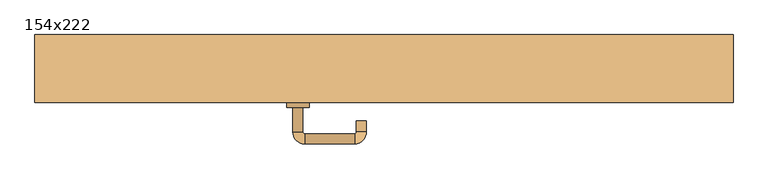
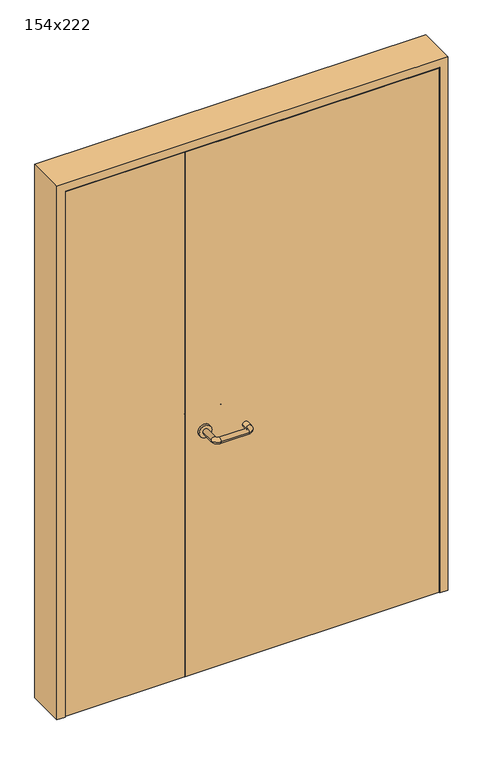
"""IFC4 building model written with IfcOpenShell, lengths in millimetres: door geometry, 154x222."""

from ifc_helpers import new_model, si_unit, point, frame, frame_2d, origin, place, context, project, spatial, polyline, circle_curve, ellipse_curve, trimmed, segment, composite_curve, outline, extrude, faceted_brep, source, transform, mapped, element, save
from ifc_brep_helpers import plane_surface, cylinder_surface, revolved_surface, advanced_brep


def door_154x222_7428e27b(model_context):
    return source(origin(), model_context, "Body", "SolidModel", [
        faceted_brep([(717.0, -50.0, 0.0), (738.0, -50.0, 0.0), (738.0, -153.0, 0.0), (717.0, -153.0, 0.0), (717.0, -153.0, 2167.0), (717.0, -50.0, 2167.0), (738.0, -153.0, 2188.0), (738.0, -50.0, 2188.0), (-717.0, -50.0, 0.0), (-717.0, -153.0, 0.0), (-738.0, -153.0, 0.0), (-738.0, -50.0, 0.0), (-717.0, -50.0, 2167.0), (-738.0, -50.0, 2188.0), (-738.0, -153.0, 2188.0), (-717.0, -153.0, 2167.0)], [[[0, 1, 2, 3]], [[3, 4, 5, 0]], [[2, 6, 4, 3]], [[1, 7, 6, 2]], [[0, 5, 7, 1]], [[8, 9, 10, 11]], [[12, 8, 11, 13]], [[13, 11, 10, 14]], [[14, 10, 9, 15]], [[15, 9, 8, 12]], [[4, 15, 12, 5]], [[6, 14, 15, 4]], [[7, 13, 14, 6]], [[5, 12, 13, 7]]]),
        extrude(outline(polyline([(2220.0, -770.0), (0.0, -770.0), (0.0, -738.0), (2188.0, -738.0), (2188.0, 738.0), (0.0, 738.0), (0.0, 770.0), (2220.0, 770.0), (2220.0, -770.0)])), frame((0.0, -200.0, 0.0), z_axis=(0.0, 1.0, 0.0), x_axis=(0.0, 0.0, 1.0)), (0.0, 0.0, 1.0), 150.0),
        advanced_brep(
        [(-201.0, -145.8874183, 1003.0), (-179.0, -145.8874183, 1003.0), (-201.0, -91.0031939, 1003.0), (-179.0, -91.0031939, 1003.0), (-175.0, -65.0031939, 1003.0), (-175.0, -87.0031939, 1003.0), (-65.0, -65.0031939, 1003.0), (-65.0, -87.0031939, 1003.0), (-39.0, -91.0031939, 1003.0), (-61.0, -91.0031939, 1003.0), (-39.0, -125.0, 1003.0), (-61.0, -125.0, 1003.0)],
        [
            (0, 1, circle_curve(frame((-190.0, -145.8874183, 1003.0), z_axis=(0.0, -1.0, 0.0), x_axis=(1.0, 0.0, 0.0)), 11.0)),
            (1, 0, circle_curve(frame((-190.0, -145.8874183, 1003.0), z_axis=(0.0, -1.0, 0.0), x_axis=(1.0, 0.0, 0.0)), 11.0)),
            (0, 2),
            (2, 3, circle_curve(frame((-190.0, -91.0031939, 1003.0), z_axis=(0.0, -1.0, 0.0), x_axis=(1.0, 0.0, 0.0)), 11.0)),
            (3, 1),
            (4, 5, circle_curve(frame((-175.0, -76.0031939, 1003.0), z_axis=(-1.0, 0.0, 0.0), x_axis=(0.0, -1.0, 0.0)), 11.0)),
            (5, 3, circle_curve(frame((-175.0, -91.0031939, 1003.0), z_axis=(0.0, 0.0, 1.0), x_axis=(-1.0, 0.0, 0.0)), 4.0)),
            (2, 4, circle_curve(frame((-175.0, -91.0031939, 1003.0), z_axis=(0.0, 0.0, -1.0), x_axis=(-1.0, 0.0, 0.0)), 26.0)),
            (4, 6),
            (6, 7, circle_curve(frame((-65.0, -76.0031939, 1003.0), z_axis=(-1.0, 0.0, 0.0), x_axis=(0.0, -1.0, 0.0)), 11.0)),
            (7, 5),
            (8, 9, circle_curve(frame((-50.0, -91.0031939, 1003.0), z_axis=(0.0, 1.0, 0.0), x_axis=(-1.0, 0.0, 0.0)), 11.0)),
            (9, 7, circle_curve(frame((-65.0, -91.0031939, 1003.0), z_axis=(0.0, 0.0, 1.0), x_axis=(0.0, 1.0, 0.0)), 4.0)),
            (6, 8, circle_curve(frame((-65.0, -91.0031939, 1003.0), z_axis=(0.0, 0.0, -1.0), x_axis=(0.0, 1.0, 0.0)), 26.0)),
            (8, 10),
            (10, 11, circle_curve(frame((-50.0, -125.0, 1003.0), z_axis=(0.0, 1.0, 0.0), x_axis=(-1.0, 0.0, 0.0)), 11.0)),
            (11, 9),
            (10, 11, circle_curve(frame((-50.0, -125.0, 1003.0), z_axis=(0.0, -1.0, 0.0), x_axis=(-1.0, 0.0, 0.0)), 11.0)),
            (3, 2, circle_curve(frame((-190.0, -91.0031939, 1003.0), z_axis=(0.0, -1.0, 0.0), x_axis=(1.0, 0.0, 0.0)), 11.0)),
            (5, 4, circle_curve(frame((-175.0, -76.0031939, 1003.0), z_axis=(-1.0, 0.0, 0.0), x_axis=(0.0, -1.0, 0.0)), 11.0)),
            (7, 6, circle_curve(frame((-65.0, -76.0031939, 1003.0), z_axis=(-1.0, 0.0, 0.0), x_axis=(0.0, -1.0, 0.0)), 11.0)),
            (9, 8, circle_curve(frame((-50.0, -91.0031939, 1003.0), z_axis=(0.0, 1.0, 0.0), x_axis=(-1.0, 0.0, 0.0)), 11.0)),
        ],
        [
            plane_surface(frame((-201.0, -145.8874183, 1003.0), z_axis=(0.0, -1.0, 0.0), x_axis=(0.0, 0.0, -1.0))),
            cylinder_surface(frame((-190.0, -145.8874183, 1003.0), z_axis=(0.0, -1.0, 0.0), x_axis=(1.0, 0.0, 0.0)), 11.0),
            revolved_surface(trimmed(ellipse_curve(frame((-190.0, -91.0031939, 1003.0), z_axis=(0.0, 1.0, 0.0), x_axis=(1.0, 0.0, 0.0)), 11.0, 11.0), [point((-179.0, -91.0031939, 1003.0))], [point((-201.0, -91.0031939, 1003.0))], True, "CARTESIAN"), (-175.0, -91.0031939, 1003.0), (0.0, 0.0, 1.0)),
            cylinder_surface(frame((-175.0, -76.0031939, 1003.0), z_axis=(-1.0, 0.0, 0.0), x_axis=(0.0, -1.0, 0.0)), 11.0),
            revolved_surface(trimmed(ellipse_curve(frame((-65.0, -76.0031939, 1003.0), z_axis=(1.0, 0.0, 0.0), x_axis=(0.0, -1.0, 0.0)), 11.0, 11.0), [point((-65.0, -87.0031939, 1003.0))], [point((-65.0, -65.0031939, 1003.0))], True, "CARTESIAN"), (-65.0, -91.0031939, 1003.0), (0.0, 0.0, 1.0)),
            cylinder_surface(frame((-50.0, -91.0031939, 1003.0), z_axis=(0.0, 1.0, 0.0), x_axis=(-1.0, 0.0, 0.0)), 11.0),
            plane_surface(frame((-61.0, -125.0, 1003.0), z_axis=(0.0, -1.0, 0.0), x_axis=(0.0, 0.0, 1.0))),
            revolved_surface(trimmed(ellipse_curve(frame((-190.0, -91.0031939, 1003.0), z_axis=(0.0, 1.0, 0.0), x_axis=(1.0, 0.0, 0.0)), 11.0, 11.0), [point((-201.0, -91.0031939, 1003.0))], [point((-179.0, -91.0031939, 1003.0))], True, "CARTESIAN"), (-175.0, -91.0031939, 1003.0), (0.0, 0.0, 1.0)),
            revolved_surface(trimmed(ellipse_curve(frame((-65.0, -76.0031939, 1003.0), z_axis=(1.0, 0.0, 0.0), x_axis=(0.0, -1.0, 0.0)), 11.0, 11.0), [point((-65.0, -65.0031939, 1003.0))], [point((-65.0, -87.0031939, 1003.0))], True, "CARTESIAN"), (-65.0, -91.0031939, 1003.0), (0.0, 0.0, 1.0)),
        ],
        [
            (0, [[1, 2]]),
            (1, [[3, 4, 5, -1]]),
            (2, [[6, 7, -4, 8]]),
            (3, [[9, 10, 11, -6]]),
            (4, [[12, 13, -10, 14]]),
            (5, [[15, 16, 17, -12]]),
            (6, [[18, -16]]),
            (1, [[-5, 19, -3, -2]]),
            (7, [[20, -8, -19, -7]]),
            (3, [[-11, 21, -9, -20]]),
            (8, [[22, -14, -21, -13]]),
            (5, [[-17, -18, -15, -22]]),
        ],
    ),
        extrude(outline(polyline([(-266.99898, -156.0), (-266.99898, -200.0), (-735.0, -200.0), (-735.0, -156.0), (-266.99898, -156.0)])), frame((0.0, 0.0, 3.0), z_axis=(0.0, 0.0, 1.0), x_axis=(1.0, 0.0, 0.0)), (0.0, 0.0, 1.0), 2182.0),
        extrude(outline(polyline([(735.0, -156.0), (735.0, -200.0), (-265.0, -200.0), (-265.0, -156.0), (735.0, -156.0)])), frame((0.0, 0.0, 3.0), z_axis=(0.0, 0.0, 1.0), x_axis=(1.0, 0.0, 0.0)), (0.0, 0.0, 1.0), 2182.0),
        extrude(outline(composite_curve([segment(trimmed(circle_curve(frame_2d((1003.0, -190.0)), 25.0), [point((1003.0, -215.0))], [point((1003.0, -165.0))], False, "CARTESIAN"), True, "CONTINUOUS"), segment(trimmed(circle_curve(frame_2d((1003.0, -190.0)), 25.0), [point((1003.0, -165.0))], [point((1003.0, -215.0))], False, "CARTESIAN"), True, "CONTINUOUS")], self_intersect=False)), frame((0.0, -156.0, 0.0), z_axis=(0.0, 1.0, 0.0), x_axis=(0.0, 0.0, 1.0)), (0.0, 0.0, 1.0), 10.1125817),
        advanced_brep(
        [(-179.0, -210.0, 1003.0), (-201.0, -210.0, 1003.0), (-179.0, -265.0, 1003.0), (-201.0, -265.0, 1003.0), (-175.0, -269.0, 1003.0), (-175.0, -291.0, 1003.0), (-65.0, -269.0, 1003.0), (-65.0, -291.0, 1003.0), (-61.0, -265.0, 1003.0), (-39.0, -265.0, 1003.0), (-61.0, -240.0, 1003.0), (-39.0, -240.0, 1003.0)],
        [
            (0, 1, circle_curve(frame((-190.0, -210.0, 1003.0), z_axis=(0.0, 1.0, 0.0), x_axis=(-1.0, 0.0, 0.0)), 11.0)),
            (1, 0, circle_curve(frame((-190.0, -210.0, 1003.0), z_axis=(0.0, 1.0, 0.0), x_axis=(-1.0, 0.0, 0.0)), 11.0)),
            (0, 2),
            (2, 3, circle_curve(frame((-190.0, -265.0, 1003.0), z_axis=(0.0, 1.0, 0.0), x_axis=(-1.0, 0.0, 0.0)), 11.0)),
            (3, 1),
            (4, 5, circle_curve(frame((-175.0, -280.0, 1003.0), z_axis=(-1.0, 0.0, 0.0), x_axis=(0.0, -1.0, 0.0)), 11.0)),
            (5, 3, circle_curve(frame((-175.0, -265.0, 1003.0), z_axis=(0.0, 0.0, -1.0), x_axis=(-1.0, 0.0, 0.0)), 26.0)),
            (2, 4, circle_curve(frame((-175.0, -265.0, 1003.0), z_axis=(0.0, 0.0, 1.0), x_axis=(-1.0, 0.0, 0.0)), 4.0)),
            (4, 6),
            (6, 7, circle_curve(frame((-65.0, -280.0, 1003.0), z_axis=(-1.0, 0.0, 0.0), x_axis=(0.0, -1.0, 0.0)), 11.0)),
            (7, 5),
            (8, 9, circle_curve(frame((-50.0, -265.0, 1003.0), z_axis=(0.0, -1.0, 0.0), x_axis=(1.0, 0.0, 0.0)), 11.0)),
            (9, 7, circle_curve(frame((-65.0, -265.0, 1003.0), z_axis=(0.0, 0.0, -1.0), x_axis=(0.0, -1.0, 0.0)), 26.0)),
            (6, 8, circle_curve(frame((-65.0, -265.0, 1003.0), z_axis=(0.0, 0.0, 1.0), x_axis=(0.0, -1.0, 0.0)), 4.0)),
            (8, 10),
            (10, 11, circle_curve(frame((-50.0, -240.0, 1003.0), z_axis=(0.0, -1.0, 0.0), x_axis=(1.0, 0.0, 0.0)), 11.0)),
            (11, 9),
            (10, 11, circle_curve(frame((-50.0, -240.0, 1003.0), z_axis=(0.0, 1.0, 0.0), x_axis=(1.0, 0.0, 0.0)), 11.0)),
            (3, 2, circle_curve(frame((-190.0, -265.0, 1003.0), z_axis=(0.0, 1.0, 0.0), x_axis=(-1.0, 0.0, 0.0)), 11.0)),
            (5, 4, circle_curve(frame((-175.0, -280.0, 1003.0), z_axis=(-1.0, 0.0, 0.0), x_axis=(0.0, -1.0, 0.0)), 11.0)),
            (7, 6, circle_curve(frame((-65.0, -280.0, 1003.0), z_axis=(-1.0, 0.0, 0.0), x_axis=(0.0, -1.0, 0.0)), 11.0)),
            (9, 8, circle_curve(frame((-50.0, -265.0, 1003.0), z_axis=(0.0, -1.0, 0.0), x_axis=(1.0, 0.0, 0.0)), 11.0)),
        ],
        [
            plane_surface(frame((-201.0, -210.0, 1003.0), z_axis=(0.0, 1.0, 0.0), x_axis=(0.0, 0.0, 1.0))),
            cylinder_surface(frame((-190.0, -210.0, 1003.0), z_axis=(0.0, 1.0, 0.0), x_axis=(-1.0, 0.0, 0.0)), 11.0),
            revolved_surface(trimmed(ellipse_curve(frame((-190.0, -265.0, 1003.0), z_axis=(0.0, -1.0, 0.0), x_axis=(-1.0, 0.0, 0.0)), 11.0, 11.0), [point((-201.0, -265.0, 1003.0))], [point((-179.0, -265.0, 1003.0))], True, "CARTESIAN"), (-175.0, -265.0, 1003.0), (0.0, 0.0, -1.0)),
            cylinder_surface(frame((-175.0, -280.0, 1003.0), z_axis=(-1.0, 0.0, 0.0), x_axis=(0.0, -1.0, 0.0)), 11.0),
            revolved_surface(trimmed(ellipse_curve(frame((-65.0, -280.0, 1003.0), z_axis=(1.0, 0.0, 0.0), x_axis=(0.0, -1.0, 0.0)), 11.0, 11.0), [point((-65.0, -291.0, 1003.0))], [point((-65.0, -269.0, 1003.0))], True, "CARTESIAN"), (-65.0, -265.0, 1003.0), (0.0, 0.0, -1.0)),
            cylinder_surface(frame((-50.0, -265.0, 1003.0), z_axis=(0.0, -1.0, 0.0), x_axis=(1.0, 0.0, 0.0)), 11.0),
            plane_surface(frame((-61.0, -240.0, 1003.0), z_axis=(0.0, 1.0, 0.0), x_axis=(0.0, 0.0, -1.0))),
            revolved_surface(trimmed(ellipse_curve(frame((-190.0, -265.0, 1003.0), z_axis=(0.0, -1.0, 0.0), x_axis=(-1.0, 0.0, 0.0)), 11.0, 11.0), [point((-179.0, -265.0, 1003.0))], [point((-201.0, -265.0, 1003.0))], True, "CARTESIAN"), (-175.0, -265.0, 1003.0), (0.0, 0.0, -1.0)),
            revolved_surface(trimmed(ellipse_curve(frame((-65.0, -280.0, 1003.0), z_axis=(1.0, 0.0, 0.0), x_axis=(0.0, -1.0, 0.0)), 11.0, 11.0), [point((-65.0, -269.0, 1003.0))], [point((-65.0, -291.0, 1003.0))], True, "CARTESIAN"), (-65.0, -265.0, 1003.0), (0.0, 0.0, -1.0)),
        ],
        [
            (0, [[1, 2]]),
            (1, [[3, 4, 5, -1]]),
            (2, [[6, 7, -4, 8]]),
            (3, [[9, 10, 11, -6]]),
            (4, [[12, 13, -10, 14]]),
            (5, [[15, 16, 17, -12]]),
            (6, [[18, -16]]),
            (1, [[-5, 19, -3, -2]]),
            (7, [[20, -8, -19, -7]]),
            (3, [[-11, 21, -9, -20]]),
            (8, [[22, -14, -21, -13]]),
            (5, [[-17, -18, -15, -22]]),
        ],
    ),
        extrude(outline(composite_curve([segment(trimmed(circle_curve(frame_2d((1003.0, -190.0)), 25.0), [point((1003.0, -165.0))], [point((1003.0, -215.0))], False, "CARTESIAN"), True, "CONTINUOUS"), segment(trimmed(circle_curve(frame_2d((1003.0, -190.0)), 25.0), [point((1003.0, -215.0))], [point((1003.0, -165.0))], False, "CARTESIAN"), True, "CONTINUOUS")], self_intersect=False)), frame((0.0, -210.0, 0.0), z_axis=(0.0, 1.0, 0.0), x_axis=(0.0, 0.0, 1.0)), (0.0, 0.0, 1.0), 10.0),
    ])


if __name__ == "__main__":
    model = new_model("IFC4")
    model_context = context("Model", 3, world=origin())
    ifc_project = project(units=[si_unit("LENGTHUNIT", "METRE", prefix="MILLI")], contexts=[model_context])
    site = spatial("IfcSite", under=ifc_project)
    building = spatial("IfcBuilding", under=site)
    placement = place(None, origin())
    door_154x222_shape = door_154x222_7428e27b(model_context)
    element("IfcDoor", 1, ObjectType="154x222", at=placement, inside=building, context=model_context, shape_type="MappedRepresentation", body=[
        mapped(door_154x222_shape, transform((0.0, 0.0, 0.0), x_axis=(1.0, 0.0, 0.0), y_axis=(0.0, 1.0, 0.0), z_axis=(0.0, 0.0, 1.0))),
    ])
    save(model, "model.ifc")
